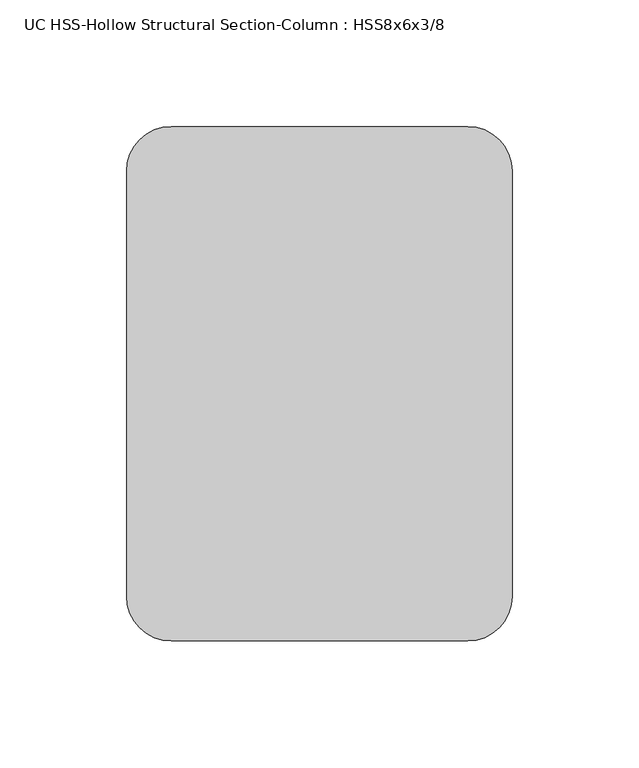
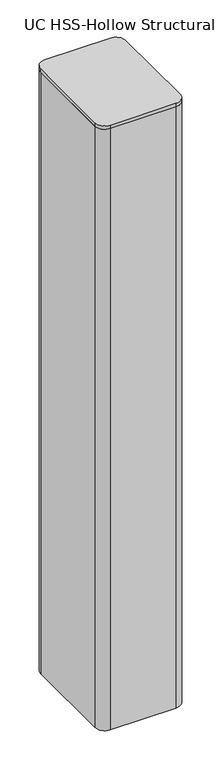
"""IFC4 building model written with IfcOpenShell, lengths in millimetres: column geometry, UC HSS-Hollow Structural Section-Column : HSS8x6x3/8."""

from ifc_helpers import new_model, si_unit, point, frame, frame_2d, origin, place, context, project, spatial, polyline, circle_curve, trimmed, segment, composite_curve, outline, extrude, source, transform, mapped, element, save


def uc_hss_hollow_structural_section_column_hss8x6x3_8_79af50f4(model_context):
    return source(origin(), model_context, "Body", "SweptSolid", [
        extrude(outline(composite_curve([segment(trimmed(circle_curve(frame_2d((-58.5390625, 83.9390625)), 17.6609375), [point((-76.2, 83.9390625))], [point((-58.5390625, 101.6))], False, "CARTESIAN"), True, "CONTINUOUS"), segment(polyline([(-58.5390625, 101.6), (58.5390625, 101.6)]), True, "CONTINUOUS"), segment(trimmed(circle_curve(frame_2d((58.5390625, 83.9390625)), 17.6609375), [point((58.5390625, 101.6))], [point((76.2, 83.9390625))], False, "CARTESIAN"), True, "CONTINUOUS"), segment(polyline([(76.2, 83.9390625), (76.2, -83.9390625)]), True, "CONTINUOUS"), segment(trimmed(circle_curve(frame_2d((58.5390625, -83.9390625)), 17.6609375), [point((76.2, -83.9390625))], [point((58.5390625, -101.6))], False, "CARTESIAN"), True, "CONTINUOUS"), segment(polyline([(58.5390625, -101.6), (-58.5390625, -101.6)]), True, "CONTINUOUS"), segment(trimmed(circle_curve(frame_2d((-58.5390625, -83.9390625)), 17.6609375), [point((-58.5390625, -101.6))], [point((-76.2, -83.9390625))], False, "CARTESIAN"), True, "CONTINUOUS"), segment(polyline([(-76.2, -83.9390625), (-76.2, 83.9390625)]), True, "CONTINUOUS")], self_intersect=False)), frame((0.0, 0.0, 7639.05), z_axis=(0.0, 0.0, 1.0), x_axis=(1.0, 0.0, 0.0)), (0.0, 0.0, 1.0), 6.35),
        extrude(outline(composite_curve([segment(trimmed(circle_curve(frame_2d((58.4708, 83.8708)), 17.7292), [point((58.4708, 101.6))], [point((76.2, 83.8708))], False, "CARTESIAN"), True, "CONTINUOUS"), segment(polyline([(76.2, 83.8708), (76.2, -83.8708)]), True, "CONTINUOUS"), segment(trimmed(circle_curve(frame_2d((58.4708, -83.8708)), 17.7292), [point((76.2, -83.8708))], [point((58.4708, -101.6))], False, "CARTESIAN"), True, "CONTINUOUS"), segment(polyline([(58.4708, -101.6), (-58.4708, -101.6)]), True, "CONTINUOUS"), segment(trimmed(circle_curve(frame_2d((-58.4708, -83.8708)), 17.7292), [point((-58.4708, -101.6))], [point((-76.2, -83.8708))], False, "CARTESIAN"), True, "CONTINUOUS"), segment(polyline([(-76.2, -83.8708), (-76.2, 83.8708)]), True, "CONTINUOUS"), segment(trimmed(circle_curve(frame_2d((-58.4708, 83.8708)), 17.7292), [point((-76.2, 83.8708))], [point((-58.4708, 101.6))], False, "CARTESIAN"), True, "CONTINUOUS"), segment(polyline([(-58.4708, 101.6), (58.4708, 101.6)]), True, "CONTINUOUS")], self_intersect=False), holes=[composite_curve([segment(polyline([(58.4708, 92.7354), (-58.4708, 92.7354)]), True, "CONTINUOUS"), segment(trimmed(circle_curve(frame_2d((-58.4708, 83.8708)), 8.8646), [point((-58.4708, 92.7354))], [point((-67.3354, 83.8708))], True, "CARTESIAN"), True, "CONTINUOUS"), segment(polyline([(-67.3354, 83.8708), (-67.3354, -83.8708)]), True, "CONTINUOUS"), segment(trimmed(circle_curve(frame_2d((-58.4708, -83.8708)), 8.8646), [point((-67.3354, -83.8708))], [point((-58.4708, -92.7354))], True, "CARTESIAN"), True, "CONTINUOUS"), segment(polyline([(-58.4708, -92.7354), (58.4708, -92.7354)]), True, "CONTINUOUS"), segment(trimmed(circle_curve(frame_2d((58.4708, -83.8708)), 8.8646), [point((58.4708, -92.7354))], [point((67.3354, -83.8708))], True, "CARTESIAN"), True, "CONTINUOUS"), segment(polyline([(67.3354, -83.8708), (67.3354, 83.8708)]), True, "CONTINUOUS"), segment(trimmed(circle_curve(frame_2d((58.4708, 83.8708)), 8.8646), [point((67.3354, 83.8708))], [point((58.4708, 92.7354))], True, "CARTESIAN"), True, "CONTINUOUS")], self_intersect=False)]), frame((0.0, 0.0, 6502.4), z_axis=(0.0, 0.0, 1.0), x_axis=(1.0, 0.0, 0.0)), (0.0, 0.0, 1.0), 1136.65),
    ])


if __name__ == "__main__":
    model = new_model("IFC4")
    model_context = context("Model", 3, world=origin())
    ifc_project = project(units=[si_unit("LENGTHUNIT", "METRE", prefix="MILLI")], contexts=[model_context])
    site = spatial("IfcSite", under=ifc_project)
    building = spatial("IfcBuilding", under=site)
    placement = place(None, origin())
    uc_hss_hollow_structural_section_column_hss8x6x3_8_shape = uc_hss_hollow_structural_section_column_hss8x6x3_8_79af50f4(model_context)
    element("IfcColumn", 1, ObjectType="UC HSS-Hollow Structural Section-Column : HSS8x6x3/8", at=placement, inside=building, context=model_context, shape_type="MappedRepresentation", body=[
        mapped(uc_hss_hollow_structural_section_column_hss8x6x3_8_shape, transform((0.0, 0.0, 0.0), x_axis=(1.0, 0.0, 0.0), y_axis=(0.0, 1.0, 0.0), z_axis=(0.0, 0.0, 1.0))),
    ])
    save(model, "model.ifc")
